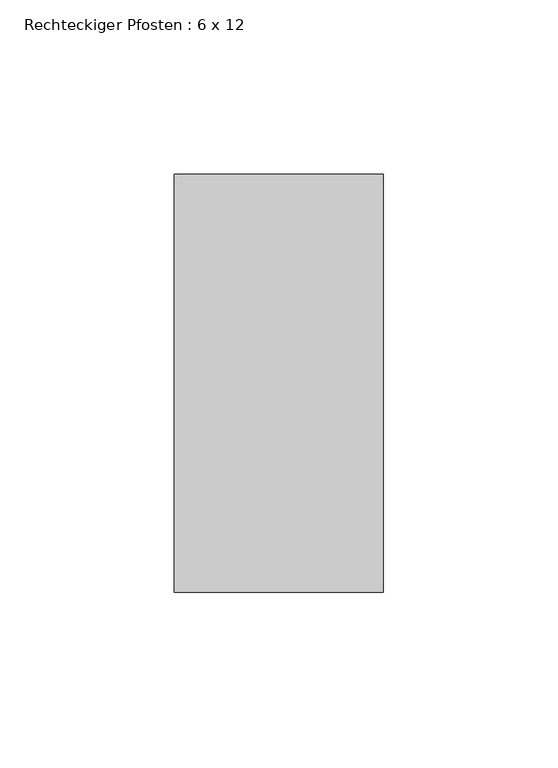
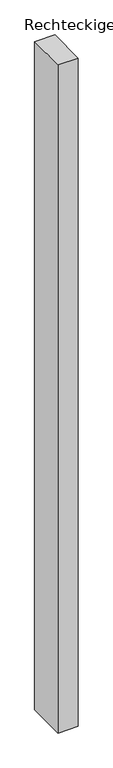
"""IFC4 building model written with IfcOpenShell, lengths in millimetres: member geometry, Rechteckiger Pfosten : 6 x 12."""

from ifc_helpers import new_model, si_unit, frame, origin, place, context, project, spatial, polyline, outline, extrude, source, transform, mapped, element, save


def rechteckiger_pfosten_6_x_12_df2c4991(model_context):
    return source(origin(), model_context, "Body", "SweptSolid", [
        extrude(outline(polyline([(0.0, 60.0), (0.0, -60.0), (-60.0, -60.0), (-60.0, 60.0), (0.0, 60.0)])), frame((0.0, 0.0, -2100.0), z_axis=(0.0, 0.0, 1.0), x_axis=(1.0, 0.0, 0.0)), (0.0, 0.0, 1.0), 2100.0),
    ])


if __name__ == "__main__":
    model = new_model("IFC4")
    model_context = context("Model", 3, world=origin())
    ifc_project = project(units=[si_unit("LENGTHUNIT", "METRE", prefix="MILLI")], contexts=[model_context])
    site = spatial("IfcSite", under=ifc_project)
    building = spatial("IfcBuilding", under=site)
    placement = place(None, origin())
    rechteckiger_pfosten_6_x_12_shape = rechteckiger_pfosten_6_x_12_df2c4991(model_context)
    element("IfcMember", 1, ObjectType="Rechteckiger Pfosten : 6 x 12", at=placement, inside=building, context=model_context, shape_type="MappedRepresentation", body=[
        mapped(rechteckiger_pfosten_6_x_12_shape, transform((0.0, 0.0, 0.0), x_axis=(1.0, 0.0, 0.0), y_axis=(0.0, 1.0, 0.0), z_axis=(0.0, 0.0, 1.0))),
    ])
    save(model, "model.ifc")
